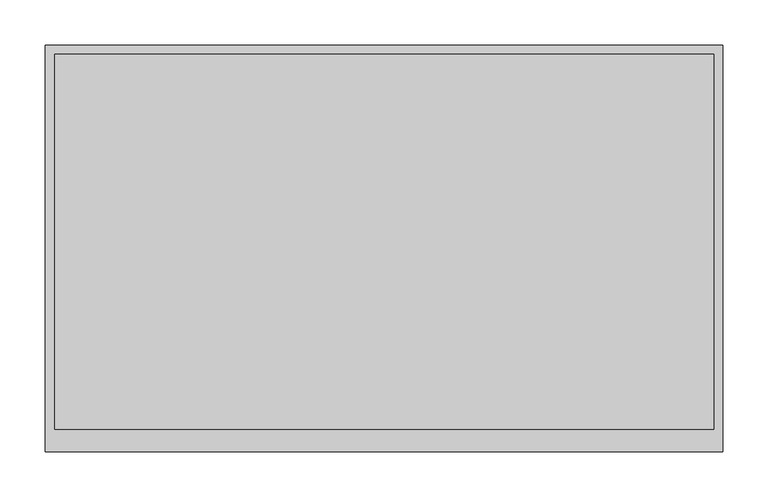
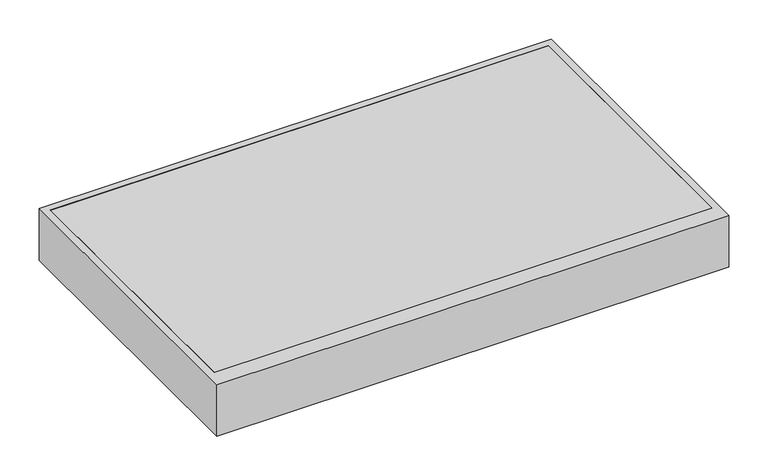
"""IFC4 building model written with IfcOpenShell, lengths in millimetres: proxy geometry."""

from ifc_helpers import new_model, si_unit, frame, origin, place, context, project, spatial, polyline, outline, extrude, faceted_brep, source, transform, mapped, element, save


def electrical_equipment_27748463(model_context):
    return source(origin(), model_context, "Body", "SolidModel", [
        faceted_brep([(375.0, -225.0, 80.0), (-375.0, -225.0, 80.0), (-375.0, -225.0, 0.0), (375.0, -225.0, 0.0), (375.0, 225.0, 80.0), (375.0, 225.0, 0.0), (-375.0, 225.0, 0.0), (-375.0, 225.0, 80.0), (365.0, -200.0, 80.0), (-364.5353529, -200.0, 80.0), (-364.5353529, 215.0, 80.0), (365.0, 215.0, 80.0), (-364.5353529, -200.0, 25.5482575), (365.0, -200.0, 25.5482575), (365.0, 215.0, 25.5482575), (-364.5353529, 215.0, 25.5482575)], [[[0, 1, 2, 3]], [[4, 5, 6, 7]], [[1, 0, 4, 7], [8, 9, 10, 11]], [[2, 1, 7, 6]], [[3, 2, 6, 5]], [[0, 3, 5, 4]], [[12, 13, 14, 15]], [[13, 12, 9, 8]], [[14, 13, 8, 11]], [[15, 14, 11, 10]], [[12, 15, 10, 9]]]),
        extrude(outline(polyline([(365.0, 215.0), (365.0, -200.0), (-364.5353529, -200.0), (-364.5353529, 215.0), (365.0, 215.0)])), frame((0.0, 0.0, 25.5482575), z_axis=(0.0, 0.0, 1.0), x_axis=(1.0, 0.0, 0.0)), (0.0, 0.0, 1.0), 54.4517425),
    ])


if __name__ == "__main__":
    model = new_model("IFC4")
    model_context = context("Model", 3, world=origin())
    ifc_project = project(units=[si_unit("LENGTHUNIT", "METRE", prefix="MILLI")], contexts=[model_context])
    site = spatial("IfcSite", under=ifc_project)
    building = spatial("IfcBuilding", under=site)
    placement = place(None, origin())
    electrical_equipment_shape = electrical_equipment_27748463(model_context)
    element("IfcBuildingElementProxy", 1, Name="Electrical Equipment", at=placement, inside=building, context=model_context, shape_type="MappedRepresentation", body=[
        mapped(electrical_equipment_shape, transform((0.0, 0.0, 0.0), x_axis=(1.0, 0.0, 0.0), y_axis=(0.0, 1.0, 0.0), z_axis=(0.0, 0.0, 1.0))),
    ])
    save(model, "model.ifc")
